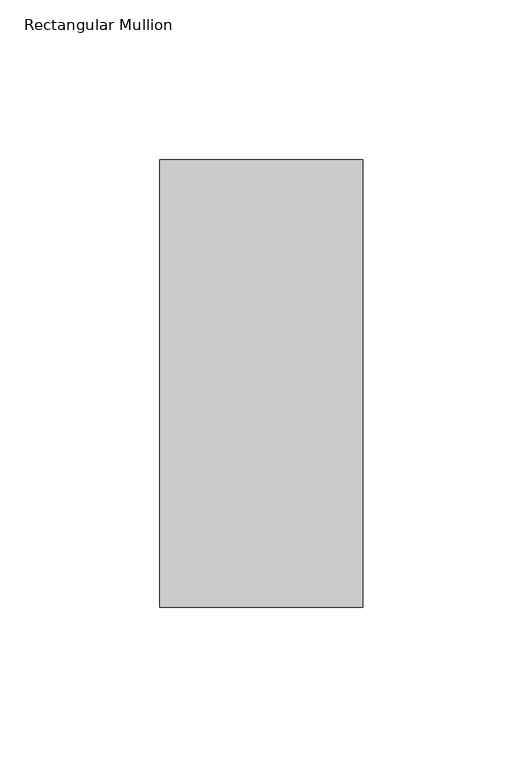
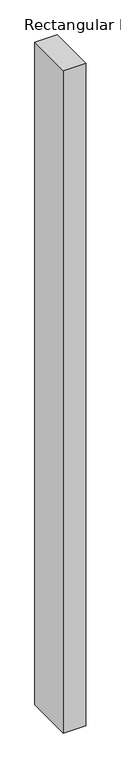
"""IFC4 building model written with IfcOpenShell, lengths in millimetres: member geometry, Rectangular Mullion."""

from ifc_helpers import new_model, si_unit, frame, origin, place, context, project, spatial, polyline, outline, extrude, source, transform, mapped, element, save


def rectangular_mullion_72a674ef(model_context):
    return source(origin(), model_context, "Body", "SweptSolid", [
        extrude(outline(polyline([(-31.75, 190.7881313), (31.75, 190.7881313), (31.75, 50.820278), (-31.75, 50.820278), (-31.75, 190.7881313)])), frame((0.0, 0.0, -1993.9), z_axis=(0.0, 0.0, 1.0), x_axis=(1.0, 0.0, 0.0)), (0.0, 0.0, 1.0), 1993.9),
    ])


if __name__ == "__main__":
    model = new_model("IFC4")
    model_context = context("Model", 3, world=origin())
    ifc_project = project(units=[si_unit("LENGTHUNIT", "METRE", prefix="MILLI")], contexts=[model_context])
    site = spatial("IfcSite", under=ifc_project)
    building = spatial("IfcBuilding", under=site)
    placement = place(None, origin())
    rectangular_mullion_shape = rectangular_mullion_72a674ef(model_context)
    element("IfcMember", 1, ObjectType="Rectangular Mullion", at=placement, inside=building, context=model_context, shape_type="MappedRepresentation", body=[
        mapped(rectangular_mullion_shape, transform((0.0, 0.0, 0.0), x_axis=(1.0, 0.0, 0.0), y_axis=(0.0, 1.0, 0.0), z_axis=(0.0, 0.0, 1.0))),
    ])
    save(model, "model.ifc")
